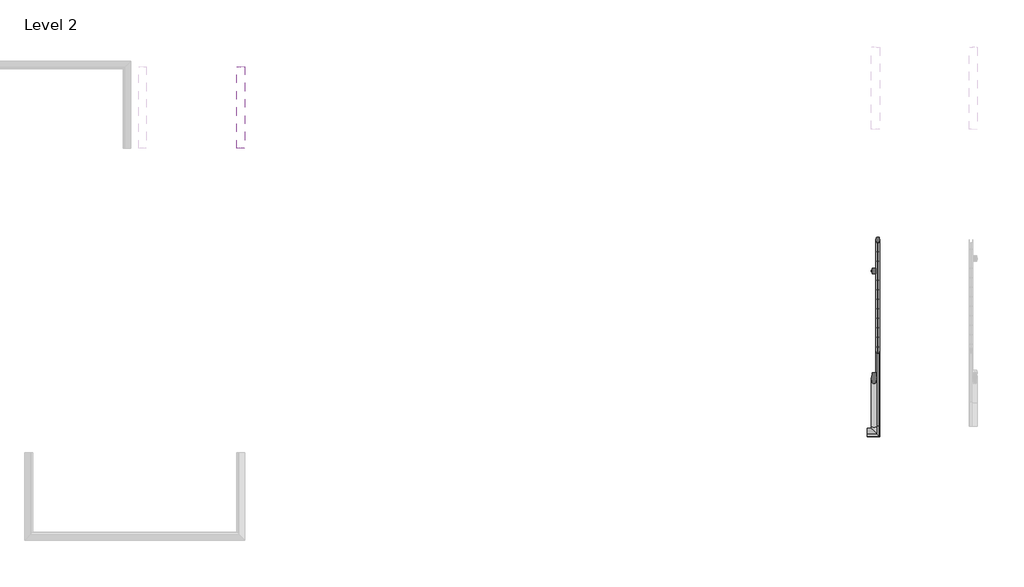
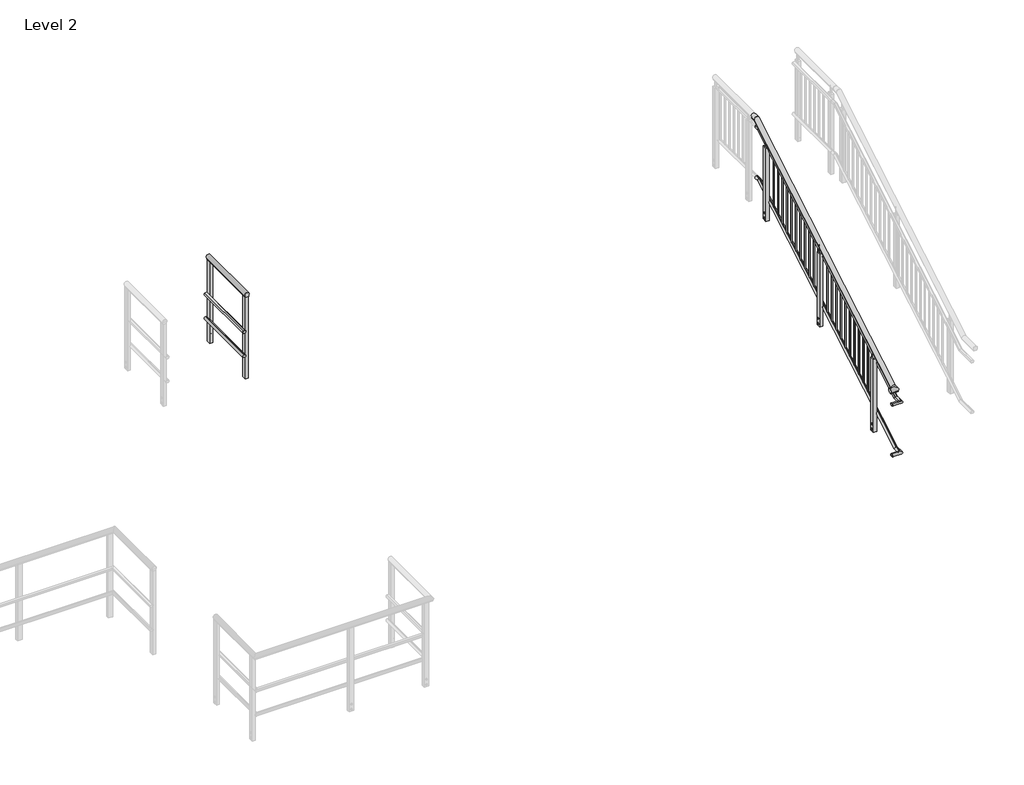
# One storey, part 5 of 7: 2 railings.
"""IFC4 building model written with IfcOpenShell, lengths in millimetres."""

from ifc_helpers import new_model, si_unit, point, frame, frame_2d, origin, place, context, project, spatial, polyline, circle_curve, ellipse_curve, trimmed, segment, composite_curve, outline, extrude, element, save
from ifc_brep_helpers import plane_surface, cylinder_surface, advanced_brep

model = new_model("IFC4")

# Units and contexts
model_context = context("Model", 3, world=origin())
ifc_project = project(units=[si_unit("LENGTHUNIT", "METRE", prefix="MILLI")], contexts=[model_context])

# Site, building, storey
site = spatial("IfcSite", under=ifc_project)
building = spatial("IfcBuilding", under=site)
storey = spatial("IfcBuildingStorey", under=building, Name="Level 2", Elevation=4000.0)

# Railings
placement = place(None, origin())
element("IfcRailing", 1, ObjectType="MT_Common stair with Balustrade_Level 3_Left", at=placement, inside=storey, context=model_context, shape_type="SolidModel", body=[
    advanced_brep(
    [(-8631.0412923, -1697.2332568, 6690.8057322), (-8631.0412923, -1697.2332568, 6678.0), (-8672.7412923, -1697.2332568, 6678.0), (-8672.7412923, -1697.2332568, 6690.8057322), (-8672.7412923, -1762.192754, 6690.8057322), (-8631.0412923, -1762.192754, 6690.8057322), (-8672.7412923, -1758.6852788, 6678.0), (-8631.0412923, -1758.6852788, 6678.0), (-8672.7412923, -4816.0720552, 4882.2162889), (-8631.0412923, -4816.0720552, 4882.2162889), (-8672.7412923, -4812.56458, 4869.4105567), (-8631.0412923, -4812.56458, 4869.4105567), (-8722.7515248, -4890.6934894, 4882.2162889), (-8722.7515248, -4848.9934894, 4882.2162889), (-8722.7515248, -4848.9934894, 4869.4105567), (-8722.7515248, -4890.6934894, 4869.4105567), (-8631.0412923, -4890.6934894, 4882.2162889), (-8672.7412923, -4848.9934894, 4882.2162889), (-8672.7412923, -4848.9934894, 4869.4105567), (-8631.0412923, -4890.6934894, 4869.4105567)],
    [
        (0, 1),
        (1, 2),
        (2, 3),
        (3, 0, circle_curve(frame((-8651.8912923, -1697.2332568, 6710.0), z_axis=(0.0, 1.0, 0.0), x_axis=(-1.0, 0.0, 0.0)), 28.3397674)),
        (4, 5, ellipse_curve(frame((-8651.8912923, -1767.4500418, 6710.0), z_axis=(0.0, 0.9644764138034779, 0.2641689747430274), x_axis=(0.0, -0.2641689747430278, 0.9644764138034778)), 29.3835775, 28.3397674)),
        (5, 0),
        (3, 4),
        (6, 4),
        (2, 6),
        (7, 6),
        (1, 7),
        (5, 7),
        (8, 9, ellipse_curve(frame((-8651.8912923, -4821.329343, 4901.4105567), z_axis=(0.0, 0.9644764138034779, 0.2641689747430274), x_axis=(0.0, 0.264168974743027, -0.9644764138034783)), 29.3835775, 28.3397674)),
        (9, 5),
        (4, 8),
        (10, 8),
        (6, 10),
        (11, 10),
        (7, 11),
        (9, 11),
        (12, 13, circle_curve(frame((-8722.7515248, -4869.8434894, 4901.4105567), z_axis=(-1.0, 0.0, 0.0), x_axis=(0.0, 1.0, 0.0)), 28.3397674)),
        (13, 14),
        (14, 15),
        (15, 12),
        (12, 16),
        (16, 17, ellipse_curve(frame((-8651.8912923, -4869.8434894, 4901.4105567), z_axis=(-0.7071067811865481, -0.7071067811865469, 0.0), x_axis=(-0.7071067811865469, 0.7071067811865481, 0.0)), 40.0784834, 28.3397674)),
        (17, 13),
        (17, 18),
        (18, 14),
        (18, 19),
        (19, 15),
        (19, 16),
        (16, 9),
        (8, 17),
        (10, 18),
        (11, 19),
    ],
    [
        plane_surface(frame((-8651.8912923, -1697.2332568, 6678.0), z_axis=(0.0, 1.0, 0.0), x_axis=(0.0, 0.0, 1.0))),
        cylinder_surface(frame((-8651.8912923, -1758.6852788, 6710.0), z_axis=(0.0, -1.0, 0.0), x_axis=(-1.0, 0.0, 0.0)), 28.3397674),
        plane_surface(frame((-8672.7412923, -1762.192754, 6690.8057322), z_axis=(-1.0, 0.0, 0.0), x_axis=(0.0, 1.0, 0.0))),
        plane_surface(frame((-8672.7412923, -1758.6852788, 6678.0), z_axis=(0.0, 0.0, -1.0), x_axis=(0.0, 1.0, 0.0))),
        plane_surface(frame((-8631.0412923, -1758.6852788, 6678.0), z_axis=(1.0, 0.0, 0.0), x_axis=(0.0, 1.0, 0.0))),
        cylinder_surface(frame((-8651.8912923, -4828.8708037, 4896.9443009), z_axis=(0.0, -0.8604295055664355, -0.5095694907965933), x_axis=(-1.0, 0.0, 0.0)), 28.3397674),
        plane_surface(frame((-8672.7412923, -4816.0720552, 4882.2162889), z_axis=(-1.0, 0.0, 0.0), x_axis=(0.0, 0.8604295055664355, 0.5095694907965934))),
        plane_surface(frame((-8672.7412923, -4812.56458, 4869.4105567), z_axis=(0.0, 0.5095694907965933, -0.8604295055664355), x_axis=(0.0, 0.8604295055664355, 0.5095694907965933))),
        plane_surface(frame((-8631.0412923, -4812.56458, 4869.4105567), z_axis=(1.0, 0.0, 0.0), x_axis=(0.0, 0.8604295055664355, 0.5095694907965933))),
        plane_surface(frame((-8722.7515248, -4869.8434894, 4869.4105567), z_axis=(-1.0, 0.0, 0.0), x_axis=(0.0, 1.0, 0.0))),
        cylinder_surface(frame((-8722.7515248, -4869.8434894, 4901.4105567), z_axis=(-1.0, 0.0, 0.0), x_axis=(0.0, 1.0, 0.0)), 28.3397674),
        plane_surface(frame((-8722.7515248, -4848.9934894, 4882.2162889), z_axis=(0.0, 1.0, 0.0), x_axis=(1.0, 0.0, 0.0))),
        plane_surface(frame((-8722.7515248, -4848.9934894, 4869.4105567), z_axis=(0.0, 0.0, -1.0), x_axis=(1.0, 0.0, 0.0))),
        plane_surface(frame((-8722.7515248, -4890.6934894, 4869.4105567), z_axis=(0.0, -1.0, 0.0), x_axis=(1.0, 0.0, 0.0))),
        cylinder_surface(frame((-8651.8912923, -4869.8434894, 4901.4105567), z_axis=(0.0, -1.0, 0.0), x_axis=(-1.0, 0.0, 0.0)), 28.3397674),
        plane_surface(frame((-8672.7412923, -4848.9934894, 4882.2162889), z_axis=(-1.0, 0.0, 0.0), x_axis=(0.0, 1.0, 0.0))),
        plane_surface(frame((-8672.7412923, -4848.9934894, 4869.4105567), z_axis=(0.0, 0.0, -1.0), x_axis=(0.0, 1.0, 0.0))),
        plane_surface(frame((-8631.0412923, -4890.6934894, 4869.4105567), z_axis=(1.0, 0.0, 0.0), x_axis=(0.0, 1.0, 0.0))),
    ],
    [
        (0, [[1, 2, 3, 4]]),
        (1, [[5, 6, -4, 7]]),
        (2, [[8, -7, -3, 9]]),
        (3, [[10, -9, -2, 11]]),
        (4, [[12, -11, -1, -6]]),
        (5, [[13, 14, -5, 15]]),
        (6, [[16, -15, -8, 17]]),
        (7, [[18, -17, -10, 19]]),
        (8, [[20, -19, -12, -14]]),
        (9, [[21, 22, 23, 24]]),
        (10, [[-21, 25, 26, 27]]),
        (11, [[-22, -27, 28, 29]]),
        (12, [[-23, -29, 30, 31]]),
        (13, [[-24, -31, 32, -25]]),
        (14, [[-26, 33, -13, 34]]),
        (15, [[-28, -34, -16, 35]]),
        (16, [[-30, -35, -18, 36]]),
        (17, [[-32, -36, -20, -33]]),
    ],
),
    advanced_brep(
    [(-8599.5227683, -4816.6730626, 4751.4105567), (-8606.6751475, -4807.3455481, 4717.3559605), (-8606.6751475, -1753.4662469, 6525.9454038), (-8599.5227683, -1762.7937614, 6560.0), (-8625.9802814, -4816.6730626, 4751.4105567), (-8625.9802814, -1762.7937614, 6560.0), (-8618.257742, -4807.2982981, 4717.1834516), (-8618.257742, -1753.4189969, 6525.7728949), (-8618.257742, -4808.4560973, 4721.4105567), (-8618.257742, -1754.5767961, 6530.0), (-8606.6751475, -4808.4560973, 4721.4105567), (-8606.6751475, -1754.5767961, 6530.0), (-8599.5227683, -4922.2120133, 4751.4105567), (-8606.6751475, -4915.0596342, 4717.3559605), (-8625.9802814, -4895.7545002, 4751.4105567), (-8618.257742, -4903.4770396, 4717.1834516), (-8618.257742, -4903.4770396, 4721.4105567), (-8606.6751475, -4915.0596342, 4721.4105567), (-8606.6751475, -1697.2332568, 6525.9454038), (-8606.6751475, -1697.2332568, 6530.0), (-8618.257742, -1697.2332568, 6530.0), (-8618.257742, -1697.2332568, 6525.7728949), (-8625.9802814, -1697.2332568, 6560.0), (-8599.5227683, -1697.2332568, 6560.0), (-8722.7515248, -4915.0596342, 4717.3559605), (-8722.7515248, -4922.2120133, 4751.4105567), (-8722.7515248, -4895.7545002, 4751.4105567), (-8722.7515248, -4903.4770396, 4717.1834516), (-8722.7515248, -4903.4770396, 4721.4105567), (-8722.7515248, -4915.0596342, 4721.4105567)],
    [
        (0, 1, ellipse_curve(frame((-8612.7515248, -4812.56458, 4736.4105567), z_axis=(0.0, 0.9644764138034779, 0.2641689747430274), x_axis=(0.0, 0.264168974743027, -0.9644764138034783)), 20.7366398, 20.0)),
        (1, 2),
        (2, 3, ellipse_curve(frame((-8612.7515248, -1758.6852788, 6545.0), z_axis=(0.0, -0.9644764138034779, -0.2641689747430274), x_axis=(0.0, 0.264168974743027, -0.9644764138034783)), 20.7366398, 20.0)),
        (3, 0),
        (4, 0),
        (3, 5),
        (5, 4),
        (6, 4, ellipse_curve(frame((-8612.7515248, -4812.56458, 4736.4105567), z_axis=(0.0, 0.9644764138034779, 0.2641689747430274), x_axis=(0.0, 0.264168974743027, -0.9644764138034783)), 20.7366398, 20.0)),
        (5, 7, ellipse_curve(frame((-8612.7515248, -1758.6852788, 6545.0), z_axis=(0.0, -0.9644764138034779, -0.2641689747430274), x_axis=(0.0, 0.264168974743027, -0.9644764138034783)), 20.7366398, 20.0)),
        (7, 6),
        (8, 6),
        (7, 9),
        (9, 8),
        (10, 8),
        (9, 11),
        (11, 10),
        (1, 10),
        (11, 2),
        (12, 13, ellipse_curve(frame((-8612.7515248, -4908.9832568, 4736.4105567), z_axis=(0.7071067811865481, 0.7071067811865469, 0.0), x_axis=(0.7071067811865469, -0.7071067811865481, 0.0)), 28.2842712, 20.0)),
        (13, 1),
        (0, 12),
        (14, 12),
        (4, 14),
        (15, 14, ellipse_curve(frame((-8612.7515248, -4908.9832568, 4736.4105567), z_axis=(0.7071067811865481, 0.7071067811865469, 0.0), x_axis=(0.7071067811865469, -0.7071067811865481, 0.0)), 28.2842712, 20.0)),
        (6, 15),
        (16, 15),
        (8, 16),
        (17, 16),
        (10, 17),
        (13, 17),
        (18, 19),
        (19, 20),
        (20, 21),
        (21, 22, circle_curve(frame((-8612.7515248, -1697.2332568, 6545.0), z_axis=(0.0, 1.0, 0.0), x_axis=(0.0, 0.0, 1.0)), 20.0)),
        (22, 23),
        (23, 18, circle_curve(frame((-8612.7515248, -1697.2332568, 6545.0), z_axis=(0.0, 1.0, 0.0), x_axis=(0.0, 0.0, 1.0)), 20.0)),
        (2, 18),
        (23, 3),
        (22, 5),
        (21, 7),
        (20, 9),
        (19, 11),
        (24, 25, circle_curve(frame((-8722.7515248, -4908.9832568, 4736.4105567), z_axis=(-1.0, 0.0, 0.0), x_axis=(0.0, 0.0, 1.0)), 20.0)),
        (25, 26),
        (26, 27, circle_curve(frame((-8722.7515248, -4908.9832568, 4736.4105567), z_axis=(-1.0, 0.0, 0.0), x_axis=(0.0, 0.0, 1.0)), 20.0)),
        (27, 28),
        (28, 29),
        (29, 24),
        (24, 13),
        (12, 25),
        (14, 26),
        (15, 27),
        (16, 28),
        (17, 29),
    ],
    [
        cylinder_surface(frame((-8612.7515248, -4812.56458, 4736.4105567), z_axis=(0.0, -0.8604295055664355, -0.5095694907965933), x_axis=(0.0, -0.5095694907965933, 0.8604295055664355)), 20.0),
        plane_surface(frame((-8599.5227683, -4816.6730626, 4751.4105567), z_axis=(0.0, -0.5095694907965933, 0.8604295055664355), x_axis=(0.0, 0.8604295055664355, 0.5095694907965933))),
        plane_surface(frame((-8618.257742, -4807.2982981, 4717.1834516), z_axis=(1.0, 0.0, 0.0), x_axis=(0.0, 0.8604295055664355, 0.5095694907965933))),
        plane_surface(frame((-8618.257742, -4808.4560973, 4721.4105567), z_axis=(0.0, 0.5095694907965933, -0.8604295055664355), x_axis=(0.0, 0.8604295055664355, 0.5095694907965933))),
        plane_surface(frame((-8606.6751475, -4808.4560973, 4721.4105567), z_axis=(-1.0, 0.0, 0.0), x_axis=(0.0, 0.8604295055664355, 0.5095694907965933))),
        cylinder_surface(frame((-8612.7515248, -4908.9832568, 4736.4105567), z_axis=(0.0, -1.0, 0.0), x_axis=(0.0, 0.0, 1.0)), 20.0),
        plane_surface(frame((-8599.5227683, -4922.2120133, 4751.4105567), z_axis=(0.0, 0.0, 1.0), x_axis=(0.0, 1.0, 0.0))),
        plane_surface(frame((-8618.257742, -4903.4770396, 4717.1834516), z_axis=(1.0, 0.0, 0.0), x_axis=(0.0, 1.0, 0.0))),
        plane_surface(frame((-8618.257742, -4903.4770396, 4721.4105567), z_axis=(0.0, 0.0, -1.0), x_axis=(0.0, 1.0, 0.0))),
        plane_surface(frame((-8606.6751475, -4915.0596342, 4721.4105567), z_axis=(-1.0, 0.0, 0.0), x_axis=(0.0, 1.0, 0.0))),
        plane_surface(frame((-8612.7515248, -1697.2332568, 6545.0), z_axis=(0.0, 1.0, 0.0), x_axis=(0.0, 0.0, 1.0))),
        cylinder_surface(frame((-8612.7515248, -1758.6852788, 6545.0), z_axis=(0.0, -1.0, 0.0), x_axis=(0.0, 0.0, 1.0)), 20.0),
        plane_surface(frame((-8599.5227683, -1762.7937614, 6560.0), z_axis=(0.0, 0.0, 1.0), x_axis=(0.0, 1.0, 0.0))),
        plane_surface(frame((-8618.257742, -1753.4189969, 6525.7728949), z_axis=(1.0, 0.0, 0.0), x_axis=(0.0, 1.0, 0.0))),
        plane_surface(frame((-8618.257742, -1754.5767961, 6530.0), z_axis=(0.0, 0.0, -1.0), x_axis=(0.0, 1.0, 0.0))),
        plane_surface(frame((-8606.6751475, -1754.5767961, 6530.0), z_axis=(-1.0, 0.0, 0.0), x_axis=(0.0, 1.0, 0.0))),
        plane_surface(frame((-8722.7515248, -4908.9832568, 4736.4105567), z_axis=(-1.0, 0.0, 0.0), x_axis=(0.0, 1.0, 0.0))),
        cylinder_surface(frame((-8722.7515248, -4908.9832568, 4736.4105567), z_axis=(-1.0, 0.0, 0.0), x_axis=(0.0, 0.0, 1.0)), 20.0),
        plane_surface(frame((-8722.7515248, -4922.2120133, 4751.4105567), z_axis=(0.0, 0.0, 1.0), x_axis=(1.0, 0.0, 0.0))),
        plane_surface(frame((-8722.7515248, -4903.4770396, 4717.1834516), z_axis=(0.0, -1.0, 0.0), x_axis=(1.0, 0.0, 0.0))),
        plane_surface(frame((-8722.7515248, -4903.4770396, 4721.4105567), z_axis=(0.0, 0.0, -1.0), x_axis=(1.0, 0.0, 0.0))),
        plane_surface(frame((-8722.7515248, -4915.0596342, 4721.4105567), z_axis=(0.0, 1.0, 0.0), x_axis=(1.0, 0.0, 0.0))),
    ],
    [
        (0, [[1, 2, 3, 4]]),
        (1, [[5, -4, 6, 7]]),
        (0, [[8, -7, 9, 10]]),
        (2, [[11, -10, 12, 13]]),
        (3, [[14, -13, 15, 16]]),
        (4, [[17, -16, 18, -2]]),
        (5, [[19, 20, -1, 21]]),
        (6, [[22, -21, -5, 23]]),
        (5, [[24, -23, -8, 25]]),
        (7, [[26, -25, -11, 27]]),
        (8, [[28, -27, -14, 29]]),
        (9, [[30, -29, -17, -20]]),
        (10, [[31, 32, 33, 34, 35, 36]]),
        (11, [[-3, 37, -36, 38]]),
        (12, [[-6, -38, -35, 39]]),
        (11, [[-9, -39, -34, 40]]),
        (13, [[-12, -40, -33, 41]]),
        (14, [[-15, -41, -32, 42]]),
        (15, [[-18, -42, -31, -37]]),
        (16, [[43, 44, 45, 46, 47, 48]]),
        (17, [[-43, 49, -19, 50]]),
        (18, [[-44, -50, -22, 51]]),
        (17, [[-45, -51, -24, 52]]),
        (19, [[-46, -52, -26, 53]]),
        (20, [[-47, -53, -28, 54]]),
        (21, [[-48, -54, -30, -49]]),
    ],
),
    advanced_brep(
    [(-8625.9802814, -4808.4560973, 4030.4105567), (-8618.8279022, -4817.7836118, 4064.465153), (-8618.8279022, -1763.9043107, 5873.0545962), (-8625.9802814, -1754.5767961, 5839.0), (-8599.5227683, -4808.4560973, 4030.4105567), (-8599.5227683, -1754.5767961, 5839.0), (-8607.2453076, -4817.8308618, 4064.6376619), (-8607.2453076, -1763.9515607, 5873.2271051), (-8607.2453076, -4816.6730626, 4060.4105567), (-8607.2453076, -1762.7937614, 5869.0), (-8618.8279022, -4816.6730626, 4060.4105567), (-8618.8279022, -1762.7937614, 5869.0), (-8625.9802814, -4895.7545002, 4030.4105567), (-8618.8279022, -4902.9068794, 4064.465153), (-8599.5227683, -4922.2120133, 4030.4105567), (-8607.2453076, -4914.489474, 4064.6376619), (-8607.2453076, -4914.489474, 4060.4105567), (-8618.8279022, -4902.9068794, 4060.4105567), (-8618.8279022, -1697.2332568, 5873.0545962), (-8618.8279022, -1697.2332568, 5869.0), (-8607.2453076, -1697.2332568, 5869.0), (-8607.2453076, -1697.2332568, 5873.2271051), (-8599.5227683, -1697.2332568, 5839.0), (-8625.9802814, -1697.2332568, 5839.0), (-8722.7515248, -4902.9068794, 4064.465153), (-8722.7515248, -4895.7545002, 4030.4105567), (-8722.7515248, -4922.2120133, 4030.4105567), (-8722.7515248, -4914.489474, 4064.6376619), (-8722.7515248, -4914.489474, 4060.4105567), (-8722.7515248, -4902.9068794, 4060.4105567)],
    [
        (0, 1, ellipse_curve(frame((-8612.7515248, -4812.56458, 4045.4105567), z_axis=(0.0, 0.964476413803478, 0.2641689747430273), x_axis=(0.0, 0.26416897474302714, -0.964476413803478)), 20.7366398, 20.0)),
        (1, 2),
        (2, 3, ellipse_curve(frame((-8612.7515248, -1758.6852788, 5854.0), z_axis=(0.0, -0.964476413803478, -0.2641689747430273), x_axis=(0.0, 0.26416897474302714, -0.964476413803478)), 20.7366398, 20.0)),
        (3, 0),
        (4, 0),
        (3, 5),
        (5, 4),
        (6, 4, ellipse_curve(frame((-8612.7515248, -4812.56458, 4045.4105567), z_axis=(0.0, 0.964476413803478, 0.2641689747430273), x_axis=(0.0, 0.26416897474302714, -0.964476413803478)), 20.7366398, 20.0)),
        (5, 7, ellipse_curve(frame((-8612.7515248, -1758.6852788, 5854.0), z_axis=(0.0, -0.964476413803478, -0.2641689747430273), x_axis=(0.0, 0.26416897474302714, -0.964476413803478)), 20.7366398, 20.0)),
        (7, 6),
        (8, 6),
        (7, 9),
        (9, 8),
        (10, 8),
        (9, 11),
        (11, 10),
        (1, 10),
        (11, 2),
        (12, 13, ellipse_curve(frame((-8612.7515248, -4908.9832568, 4045.4105567), z_axis=(0.7071067811865481, 0.7071067811865469, 0.0), x_axis=(0.7071067811865469, -0.7071067811865481, 0.0)), 28.2842712, 20.0)),
        (13, 1),
        (0, 12),
        (14, 12),
        (4, 14),
        (15, 14, ellipse_curve(frame((-8612.7515248, -4908.9832568, 4045.4105567), z_axis=(0.7071067811865481, 0.7071067811865469, 0.0), x_axis=(0.7071067811865469, -0.7071067811865481, 0.0)), 28.2842712, 20.0)),
        (6, 15),
        (16, 15),
        (8, 16),
        (17, 16),
        (10, 17),
        (13, 17),
        (18, 19),
        (19, 20),
        (20, 21),
        (21, 22, circle_curve(frame((-8612.7515248, -1697.2332568, 5854.0), z_axis=(0.0, 1.0, 0.0), x_axis=(0.0, 0.0, -1.0)), 20.0)),
        (22, 23),
        (23, 18, circle_curve(frame((-8612.7515248, -1697.2332568, 5854.0), z_axis=(0.0, 1.0, 0.0), x_axis=(0.0, 0.0, -1.0)), 20.0)),
        (2, 18),
        (23, 3),
        (22, 5),
        (21, 7),
        (20, 9),
        (19, 11),
        (24, 25, circle_curve(frame((-8722.7515248, -4908.9832568, 4045.4105567), z_axis=(-1.0, 0.0, 0.0), x_axis=(0.0, 0.0, -1.0)), 20.0)),
        (25, 26),
        (26, 27, circle_curve(frame((-8722.7515248, -4908.9832568, 4045.4105567), z_axis=(-1.0, 0.0, 0.0), x_axis=(0.0, 0.0, -1.0)), 20.0)),
        (27, 28),
        (28, 29),
        (29, 24),
        (24, 13),
        (12, 25),
        (14, 26),
        (15, 27),
        (16, 28),
        (17, 29),
    ],
    [
        cylinder_surface(frame((-8612.7515248, -4812.56458, 4045.4105567), z_axis=(0.0, -0.8604295055664357, -0.5095694907965931), x_axis=(0.0, 0.5095694907965931, -0.8604295055664357)), 20.0),
        plane_surface(frame((-8625.9802814, -4808.4560973, 4030.4105567), z_axis=(0.0, 0.5095694907965932, -0.8604295055664356), x_axis=(0.0, 0.8604295055664356, 0.5095694907965932))),
        plane_surface(frame((-8607.2453076, -4817.8308618, 4064.6376619), z_axis=(-1.0000000000000002, 0.0, 0.0), x_axis=(0.0, 0.8604295055664357, 0.5095694907965931))),
        plane_surface(frame((-8607.2453076, -4816.6730626, 4060.4105567), z_axis=(0.0, -0.509569490796593, 0.8604295055664357), x_axis=(0.0, 0.8604295055664357, 0.509569490796593))),
        plane_surface(frame((-8618.8279022, -4816.6730626, 4060.4105567), z_axis=(1.0000000000000002, 0.0, 0.0), x_axis=(0.0, 0.8604295055664357, 0.5095694907965931))),
        cylinder_surface(frame((-8612.7515248, -4908.9832568, 4045.4105567), z_axis=(0.0, -1.0, 0.0), x_axis=(0.0, 0.0, -1.0)), 20.0),
        plane_surface(frame((-8625.9802814, -4895.7545002, 4030.4105567), z_axis=(0.0, 0.0, -1.0), x_axis=(0.0, 1.0, 0.0))),
        plane_surface(frame((-8607.2453076, -4914.489474, 4064.6376619), z_axis=(-1.0, 0.0, 0.0), x_axis=(0.0, 1.0, 0.0))),
        plane_surface(frame((-8607.2453076, -4914.489474, 4060.4105567), z_axis=(0.0, 0.0, 1.0), x_axis=(0.0, 1.0, 0.0))),
        plane_surface(frame((-8618.8279022, -4902.9068794, 4060.4105567), z_axis=(1.0, 0.0, 0.0), x_axis=(0.0, 1.0, 0.0))),
        plane_surface(frame((-8612.7515248, -1697.2332568, 5854.0), z_axis=(0.0, 1.0, 0.0), x_axis=(0.0, 0.0, 1.0))),
        cylinder_surface(frame((-8612.7515248, -1758.6852788, 5854.0), z_axis=(0.0, -1.0, 0.0), x_axis=(0.0, 0.0, -1.0)), 20.0),
        plane_surface(frame((-8625.9802814, -1754.5767961, 5839.0), z_axis=(0.0, 0.0, -1.0), x_axis=(0.0, 1.0, 0.0))),
        plane_surface(frame((-8607.2453076, -1763.9515607, 5873.2271051), z_axis=(-1.0, 0.0, 0.0), x_axis=(0.0, 1.0, 0.0))),
        plane_surface(frame((-8607.2453076, -1762.7937614, 5869.0), z_axis=(0.0, 0.0, 1.0), x_axis=(0.0, 1.0, 0.0))),
        plane_surface(frame((-8618.8279022, -1762.7937614, 5869.0), z_axis=(1.0, 0.0, 0.0), x_axis=(0.0, 1.0, 0.0))),
        plane_surface(frame((-8722.7515248, -4908.9832568, 4045.4105567), z_axis=(-1.0, 0.0, 0.0), x_axis=(0.0, 1.0, 0.0))),
        cylinder_surface(frame((-8722.7515248, -4908.9832568, 4045.4105567), z_axis=(-1.0, 0.0, 0.0), x_axis=(0.0, 0.0, -1.0)), 20.0),
        plane_surface(frame((-8722.7515248, -4895.7545002, 4030.4105567), z_axis=(0.0, 0.0, -1.0), x_axis=(1.0, 0.0, 0.0))),
        plane_surface(frame((-8722.7515248, -4914.489474, 4064.6376619), z_axis=(0.0, 1.0, 0.0), x_axis=(1.0, 0.0, 0.0))),
        plane_surface(frame((-8722.7515248, -4914.489474, 4060.4105567), z_axis=(0.0, 0.0, 1.0), x_axis=(1.0, 0.0, 0.0))),
        plane_surface(frame((-8722.7515248, -4902.9068794, 4060.4105567), z_axis=(0.0, -1.0, 0.0), x_axis=(1.0, 0.0, 0.0))),
    ],
    [
        (0, [[1, 2, 3, 4]]),
        (1, [[5, -4, 6, 7]]),
        (0, [[8, -7, 9, 10]]),
        (2, [[11, -10, 12, 13]]),
        (3, [[14, -13, 15, 16]]),
        (4, [[17, -16, 18, -2]]),
        (5, [[19, 20, -1, 21]]),
        (6, [[22, -21, -5, 23]]),
        (5, [[24, -23, -8, 25]]),
        (7, [[26, -25, -11, 27]]),
        (8, [[28, -27, -14, 29]]),
        (9, [[30, -29, -17, -20]]),
        (10, [[31, 32, 33, 34, 35, 36]]),
        (11, [[-3, 37, -36, 38]]),
        (12, [[-6, -38, -35, 39]]),
        (11, [[-9, -39, -34, 40]]),
        (13, [[-12, -40, -33, 41]]),
        (14, [[-15, -41, -32, 42]]),
        (15, [[-18, -42, -31, -37]]),
        (16, [[43, 44, 45, 46, 47, 48]]),
        (17, [[-43, 49, -19, 50]]),
        (18, [[-44, -50, -22, 51]]),
        (17, [[-45, -51, -24, 52]]),
        (19, [[-46, -52, -26, 53]]),
        (20, [[-47, -53, -28, 54]]),
        (21, [[-48, -54, -30, -49]]),
    ],
),
    extrude(outline(polyline([(-1985.6249294, 5501.9245527), (-1975.6249294, 5496.15105), (-1975.6249294, 5484.6040446), (-1985.6249294, 5478.8305419), (-1995.6249294, 5484.6040446), (-1995.6249294, 5496.15105), (-1985.6249294, 5501.9245527)])), frame((-8676.7515248, 0.0, 0.0), z_axis=(1.0, 0.0, 0.0), x_axis=(0.0, 1.0, 0.0)), (0.0, 0.0, 1.0), 4.0),
    extrude(outline(polyline([(-1985.6249294, 5571.9245527), (-1975.6249294, 5566.15105), (-1975.6249294, 5554.6040446), (-1985.6249294, 5548.8305419), (-1995.6249294, 5554.6040446), (-1995.6249294, 5566.15105), (-1985.6249294, 5571.9245527)])), frame((-8676.7515248, 0.0, 0.0), z_axis=(1.0, 0.0, 0.0), x_axis=(0.0, 1.0, 0.0)), (0.0, 0.0, 1.0), 4.0),
    extrude(outline(composite_curve([segment(trimmed(circle_curve(frame_2d((-1985.6249294, 5490.3775473)), 8.0), [point((-1993.6249294, 5490.3775473))], [point((-1977.6249294, 5490.3775473))], False, "CARTESIAN"), True, "CONTINUOUS"), segment(trimmed(circle_curve(frame_2d((-1985.6249294, 5490.3775473)), 8.0), [point((-1977.6249294, 5490.3775473))], [point((-1993.6249294, 5490.3775473))], False, "CARTESIAN"), True, "CONTINUOUS")], self_intersect=False)), frame((-8678.7515248, 0.0, 0.0), z_axis=(1.0, 0.0, 0.0), x_axis=(0.0, 1.0, 0.0)), (0.0, 0.0, 1.0), 6.0),
    extrude(outline(composite_curve([segment(trimmed(circle_curve(frame_2d((-1985.6249294, 5560.3775473)), 8.0), [point((-1993.6249294, 5560.3775473))], [point((-1977.6249294, 5560.3775473))], False, "CARTESIAN"), True, "CONTINUOUS"), segment(trimmed(circle_curve(frame_2d((-1985.6249294, 5560.3775473)), 8.0), [point((-1977.6249294, 5560.3775473))], [point((-1993.6249294, 5560.3775473))], False, "CARTESIAN"), True, "CONTINUOUS")], self_intersect=False)), frame((-8678.7515248, 0.0, 0.0), z_axis=(1.0, 0.0, 0.0), x_axis=(0.0, 1.0, 0.0)), (0.0, 0.0, 1.0), 6.0),
    extrude(outline(composite_curve([segment(trimmed(circle_curve(frame_2d((-8652.7515248, -1985.6249294)), 10.0), [point((-8662.7515248, -1985.6249294))], [point((-8642.7515248, -1985.6249294))], False, "CARTESIAN"), True, "CONTINUOUS"), segment(trimmed(circle_curve(frame_2d((-8652.7515248, -1985.6249294)), 10.0), [point((-8642.7515248, -1985.6249294))], [point((-8662.7515248, -1985.6249294))], False, "CARTESIAN"), True, "CONTINUOUS")], self_intersect=False)), frame((0.0, 0.0, 6454.3775473), z_axis=(0.0, 0.0, 1.0), x_axis=(1.0, 0.0, 0.0)), (0.0, 0.0, 1.0), 100.0),
    extrude(outline(polyline([(-8632.7515248, -2014.6249294), (-8672.7515248, -2014.6249294), (-8672.7515248, -1956.6249294), (-8632.7515248, -1956.6249294), (-8632.7515248, -2014.6249294)])), frame((0.0, 0.0, 5460.3775473), z_axis=(0.0, 0.0, 1.0), x_axis=(1.0, 0.0, 0.0)), (0.0, 0.0, 1.0), 994.0),
    extrude(outline(polyline([(-8606.7515248, -2091.6249294), (-8618.7515248, -2091.6249294), (-8618.7515248, -2079.6249294), (-8606.7515248, -2079.6249294), (-8606.7515248, -2091.6249294)])), frame((0.0, 0.0, 5671.1548582), z_axis=(0.0, 0.0, 1.0), x_axis=(1.0, 0.0, 0.0)), (0.0, 0.0, 1.0), 671.0),
    extrude(outline(polyline([(-8606.7515248, -2191.6249294), (-8618.7515248, -2191.6249294), (-8618.7515248, -2179.6249294), (-8606.7515248, -2179.6249294), (-8606.7515248, -2191.6249294)])), frame((0.0, 0.0, 5611.9321691), z_axis=(0.0, 0.0, 1.0), x_axis=(1.0, 0.0, 0.0)), (0.0, 0.0, 1.0), 671.0),
    extrude(outline(polyline([(-8606.7515248, -2291.6249294), (-8618.7515248, -2291.6249294), (-8618.7515248, -2279.6249294), (-8606.7515248, -2279.6249294), (-8606.7515248, -2291.6249294)])), frame((0.0, 0.0, 5552.70948), z_axis=(0.0, 0.0, 1.0), x_axis=(1.0, 0.0, 0.0)), (0.0, 0.0, 1.0), 671.0),
    extrude(outline(polyline([(-8606.7515248, -2391.6249294), (-8618.7515248, -2391.6249294), (-8618.7515248, -2379.6249294), (-8606.7515248, -2379.6249294), (-8606.7515248, -2391.6249294)])), frame((0.0, 0.0, 5493.486791), z_axis=(0.0, 0.0, 1.0), x_axis=(1.0, 0.0, 0.0)), (0.0, 0.0, 1.0), 671.0),
    extrude(outline(polyline([(-8606.7515248, -2491.6249294), (-8618.7515248, -2491.6249294), (-8618.7515248, -2479.6249294), (-8606.7515248, -2479.6249294), (-8606.7515248, -2491.6249294)])), frame((0.0, 0.0, 5434.2641019), z_axis=(0.0, 0.0, 1.0), x_axis=(1.0, 0.0, 0.0)), (0.0, 0.0, 1.0), 671.0),
    extrude(outline(polyline([(-8606.7515248, -2591.6249294), (-8618.7515248, -2591.6249294), (-8618.7515248, -2579.6249294), (-8606.7515248, -2579.6249294), (-8606.7515248, -2591.6249294)])), frame((0.0, 0.0, 5375.0414128), z_axis=(0.0, 0.0, 1.0), x_axis=(1.0, 0.0, 0.0)), (0.0, 0.0, 1.0), 671.0),
    extrude(outline(polyline([(-8606.7515248, -2691.6249294), (-8618.7515248, -2691.6249294), (-8618.7515248, -2679.6249294), (-8606.7515248, -2679.6249294), (-8606.7515248, -2691.6249294)])), frame((0.0, 0.0, 5315.8187237), z_axis=(0.0, 0.0, 1.0), x_axis=(1.0, 0.0, 0.0)), (0.0, 0.0, 1.0), 671.0),
    extrude(outline(polyline([(-8606.7515248, -2791.6249294), (-8618.7515248, -2791.6249294), (-8618.7515248, -2779.6249294), (-8606.7515248, -2779.6249294), (-8606.7515248, -2791.6249294)])), frame((0.0, 0.0, 5256.5960347), z_axis=(0.0, 0.0, 1.0), x_axis=(1.0, 0.0, 0.0)), (0.0, 0.0, 1.0), 671.0),
    extrude(outline(polyline([(-8606.7515248, -2891.6249294), (-8618.7515248, -2891.6249294), (-8618.7515248, -2879.6249294), (-8606.7515248, -2879.6249294), (-8606.7515248, -2891.6249294)])), frame((0.0, 0.0, 5197.3733456), z_axis=(0.0, 0.0, 1.0), x_axis=(1.0, 0.0, 0.0)), (0.0, 0.0, 1.0), 671.0),
    extrude(outline(polyline([(-8606.7515248, -2991.6249294), (-8618.7515248, -2991.6249294), (-8618.7515248, -2979.6249294), (-8606.7515248, -2979.6249294), (-8606.7515248, -2991.6249294)])), frame((0.0, 0.0, 5138.1506565), z_axis=(0.0, 0.0, 1.0), x_axis=(1.0, 0.0, 0.0)), (0.0, 0.0, 1.0), 671.0),
    extrude(outline(polyline([(-8606.7515248, -3091.6249294), (-8618.7515248, -3091.6249294), (-8618.7515248, -3079.6249294), (-8606.7515248, -3079.6249294), (-8606.7515248, -3091.6249294)])), frame((0.0, 0.0, 5078.9279674), z_axis=(0.0, 0.0, 1.0), x_axis=(1.0, 0.0, 0.0)), (0.0, 0.0, 1.0), 671.0),
    extrude(outline(polyline([(-3185.6249294, 4791.2522837), (-3175.6249294, 4785.4787811), (-3175.6249294, 4773.9317757), (-3185.6249294, 4768.158273), (-3195.6249294, 4773.9317757), (-3195.6249294, 4785.4787811), (-3185.6249294, 4791.2522837)])), frame((-8676.7515248, 0.0, 0.0), z_axis=(1.0, 0.0, 0.0), x_axis=(0.0, 1.0, 0.0)), (0.0, 0.0, 1.0), 4.0),
    extrude(outline(polyline([(-3185.6249294, 4861.2522837), (-3175.6249294, 4855.4787811), (-3175.6249294, 4843.9317757), (-3185.6249294, 4838.158273), (-3195.6249294, 4843.9317757), (-3195.6249294, 4855.4787811), (-3185.6249294, 4861.2522837)])), frame((-8676.7515248, 0.0, 0.0), z_axis=(1.0, 0.0, 0.0), x_axis=(0.0, 1.0, 0.0)), (0.0, 0.0, 1.0), 4.0),
    extrude(outline(composite_curve([segment(trimmed(circle_curve(frame_2d((-3185.6249294, 4779.7052784)), 8.0), [point((-3193.6249294, 4779.7052784))], [point((-3177.6249294, 4779.7052784))], False, "CARTESIAN"), True, "CONTINUOUS"), segment(trimmed(circle_curve(frame_2d((-3185.6249294, 4779.7052784)), 8.0), [point((-3177.6249294, 4779.7052784))], [point((-3193.6249294, 4779.7052784))], False, "CARTESIAN"), True, "CONTINUOUS")], self_intersect=False)), frame((-8678.7515248, 0.0, 0.0), z_axis=(1.0, 0.0, 0.0), x_axis=(0.0, 1.0, 0.0)), (0.0, 0.0, 1.0), 6.0),
    extrude(outline(composite_curve([segment(trimmed(circle_curve(frame_2d((-3185.6249294, 4849.7052784)), 8.0), [point((-3193.6249294, 4849.7052784))], [point((-3177.6249294, 4849.7052784))], False, "CARTESIAN"), True, "CONTINUOUS"), segment(trimmed(circle_curve(frame_2d((-3185.6249294, 4849.7052784)), 8.0), [point((-3177.6249294, 4849.7052784))], [point((-3193.6249294, 4849.7052784))], False, "CARTESIAN"), True, "CONTINUOUS")], self_intersect=False)), frame((-8678.7515248, 0.0, 0.0), z_axis=(1.0, 0.0, 0.0), x_axis=(0.0, 1.0, 0.0)), (0.0, 0.0, 1.0), 6.0),
    extrude(outline(composite_curve([segment(trimmed(circle_curve(frame_2d((-8652.7515248, -3185.6249294)), 10.0), [point((-8662.7515248, -3185.6249294))], [point((-8642.7515248, -3185.6249294))], False, "CARTESIAN"), True, "CONTINUOUS"), segment(trimmed(circle_curve(frame_2d((-8652.7515248, -3185.6249294)), 10.0), [point((-8642.7515248, -3185.6249294))], [point((-8662.7515248, -3185.6249294))], False, "CARTESIAN"), True, "CONTINUOUS")], self_intersect=False)), frame((0.0, 0.0, 5743.7052784), z_axis=(0.0, 0.0, 1.0), x_axis=(1.0, 0.0, 0.0)), (0.0, 0.0, 1.0), 100.0),
    extrude(outline(polyline([(-8632.7515248, -3214.6249294), (-8672.7515248, -3214.6249294), (-8672.7515248, -3156.6249294), (-8632.7515248, -3156.6249294), (-8632.7515248, -3214.6249294)])), frame((0.0, 0.0, 4749.7052784), z_axis=(0.0, 0.0, 1.0), x_axis=(1.0, 0.0, 0.0)), (0.0, 0.0, 1.0), 994.0),
    extrude(outline(polyline([(-8606.7515248, -3291.6249294), (-8618.7515248, -3291.6249294), (-8618.7515248, -3279.6249294), (-8606.7515248, -3279.6249294), (-8606.7515248, -3291.6249294)])), frame((0.0, 0.0, 4960.4825893), z_axis=(0.0, 0.0, 1.0), x_axis=(1.0, 0.0, 0.0)), (0.0, 0.0, 1.0), 671.0),
    extrude(outline(polyline([(-8606.7515248, -3391.6249294), (-8618.7515248, -3391.6249294), (-8618.7515248, -3379.6249294), (-8606.7515248, -3379.6249294), (-8606.7515248, -3391.6249294)])), frame((0.0, 0.0, 4901.2599002), z_axis=(0.0, 0.0, 1.0), x_axis=(1.0, 0.0, 0.0)), (0.0, 0.0, 1.0), 671.0),
    extrude(outline(polyline([(-8606.7515248, -3491.6249294), (-8618.7515248, -3491.6249294), (-8618.7515248, -3479.6249294), (-8606.7515248, -3479.6249294), (-8606.7515248, -3491.6249294)])), frame((0.0, 0.0, 4842.0372111), z_axis=(0.0, 0.0, 1.0), x_axis=(1.0, 0.0, 0.0)), (0.0, 0.0, 1.0), 671.0),
    extrude(outline(polyline([(-8606.7515248, -3591.6249294), (-8618.7515248, -3591.6249294), (-8618.7515248, -3579.6249294), (-8606.7515248, -3579.6249294), (-8606.7515248, -3591.6249294)])), frame((0.0, 0.0, 4782.8145221), z_axis=(0.0, 0.0, 1.0), x_axis=(1.0, 0.0, 0.0)), (0.0, 0.0, 1.0), 671.0),
    extrude(outline(polyline([(-8606.7515248, -3691.6249294), (-8618.7515248, -3691.6249294), (-8618.7515248, -3679.6249294), (-8606.7515248, -3679.6249294), (-8606.7515248, -3691.6249294)])), frame((0.0, 0.0, 4723.591833), z_axis=(0.0, 0.0, 1.0), x_axis=(1.0, 0.0, 0.0)), (0.0, 0.0, 1.0), 671.0),
    extrude(outline(polyline([(-8606.7515248, -3791.6249294), (-8618.7515248, -3791.6249294), (-8618.7515248, -3779.6249294), (-8606.7515248, -3779.6249294), (-8606.7515248, -3791.6249294)])), frame((0.0, 0.0, 4664.3691439), z_axis=(0.0, 0.0, 1.0), x_axis=(1.0, 0.0, 0.0)), (0.0, 0.0, 1.0), 671.0),
    extrude(outline(polyline([(-8606.7515248, -3891.6249294), (-8618.7515248, -3891.6249294), (-8618.7515248, -3879.6249294), (-8606.7515248, -3879.6249294), (-8606.7515248, -3891.6249294)])), frame((0.0, 0.0, 4605.1464548), z_axis=(0.0, 0.0, 1.0), x_axis=(1.0, 0.0, 0.0)), (0.0, 0.0, 1.0), 671.0),
    extrude(outline(polyline([(-8606.7515248, -3991.6249294), (-8618.7515248, -3991.6249294), (-8618.7515248, -3979.6249294), (-8606.7515248, -3979.6249294), (-8606.7515248, -3991.6249294)])), frame((0.0, 0.0, 4545.9237658), z_axis=(0.0, 0.0, 1.0), x_axis=(1.0, 0.0, 0.0)), (0.0, 0.0, 1.0), 671.0),
    extrude(outline(polyline([(-8606.7515248, -4091.6249294), (-8618.7515248, -4091.6249294), (-8618.7515248, -4079.6249294), (-8606.7515248, -4079.6249294), (-8606.7515248, -4091.6249294)])), frame((0.0, 0.0, 4486.7010767), z_axis=(0.0, 0.0, 1.0), x_axis=(1.0, 0.0, 0.0)), (0.0, 0.0, 1.0), 671.0),
    extrude(outline(polyline([(-8606.7515248, -4191.6249294), (-8618.7515248, -4191.6249294), (-8618.7515248, -4179.6249294), (-8606.7515248, -4179.6249294), (-8606.7515248, -4191.6249294)])), frame((0.0, 0.0, 4427.4783876), z_axis=(0.0, 0.0, 1.0), x_axis=(1.0, 0.0, 0.0)), (0.0, 0.0, 1.0), 671.0),
    extrude(outline(polyline([(-8606.7515248, -4291.6249294), (-8618.7515248, -4291.6249294), (-8618.7515248, -4279.6249294), (-8606.7515248, -4279.6249294), (-8606.7515248, -4291.6249294)])), frame((0.0, 0.0, 4368.2556985), z_axis=(0.0, 0.0, 1.0), x_axis=(1.0, 0.0, 0.0)), (0.0, 0.0, 1.0), 671.0),
    extrude(outline(polyline([(-4385.6249294, 4080.5800148), (-4375.6249294, 4074.8065121), (-4375.6249294, 4063.2595068), (-4385.6249294, 4057.4860041), (-4395.6249294, 4063.2595068), (-4395.6249294, 4074.8065121), (-4385.6249294, 4080.5800148)])), frame((-8676.7515248, 0.0, 0.0), z_axis=(1.0, 0.0, 0.0), x_axis=(0.0, 1.0, 0.0)), (0.0, 0.0, 1.0), 4.0),
    extrude(outline(polyline([(-4385.6249294, 4150.5800148), (-4375.6249294, 4144.8065121), (-4375.6249294, 4133.2595068), (-4385.6249294, 4127.4860041), (-4395.6249294, 4133.2595068), (-4395.6249294, 4144.8065121), (-4385.6249294, 4150.5800148)])), frame((-8676.7515248, 0.0, 0.0), z_axis=(1.0, 0.0, 0.0), x_axis=(0.0, 1.0, 0.0)), (0.0, 0.0, 1.0), 4.0),
    extrude(outline(composite_curve([segment(trimmed(circle_curve(frame_2d((-4385.6249294, 4069.0330095)), 8.0), [point((-4393.6249294, 4069.0330095))], [point((-4377.6249294, 4069.0330095))], False, "CARTESIAN"), True, "CONTINUOUS"), segment(trimmed(circle_curve(frame_2d((-4385.6249294, 4069.0330095)), 8.0), [point((-4377.6249294, 4069.0330095))], [point((-4393.6249294, 4069.0330095))], False, "CARTESIAN"), True, "CONTINUOUS")], self_intersect=False)), frame((-8678.7515248, 0.0, 0.0), z_axis=(1.0, 0.0, 0.0), x_axis=(0.0, 1.0, 0.0)), (0.0, 0.0, 1.0), 6.0),
    extrude(outline(composite_curve([segment(trimmed(circle_curve(frame_2d((-4385.6249294, 4139.0330095)), 8.0), [point((-4393.6249294, 4139.0330095))], [point((-4377.6249294, 4139.0330095))], False, "CARTESIAN"), True, "CONTINUOUS"), segment(trimmed(circle_curve(frame_2d((-4385.6249294, 4139.0330095)), 8.0), [point((-4377.6249294, 4139.0330095))], [point((-4393.6249294, 4139.0330095))], False, "CARTESIAN"), True, "CONTINUOUS")], self_intersect=False)), frame((-8678.7515248, 0.0, 0.0), z_axis=(1.0, 0.0, 0.0), x_axis=(0.0, 1.0, 0.0)), (0.0, 0.0, 1.0), 6.0),
    extrude(outline(composite_curve([segment(trimmed(circle_curve(frame_2d((-8652.7515248, -4385.6249294)), 10.0), [point((-8662.7515248, -4385.6249294))], [point((-8642.7515248, -4385.6249294))], False, "CARTESIAN"), True, "CONTINUOUS"), segment(trimmed(circle_curve(frame_2d((-8652.7515248, -4385.6249294)), 10.0), [point((-8642.7515248, -4385.6249294))], [point((-8662.7515248, -4385.6249294))], False, "CARTESIAN"), True, "CONTINUOUS")], self_intersect=False)), frame((0.0, 0.0, 5033.0330095), z_axis=(0.0, 0.0, 1.0), x_axis=(1.0, 0.0, 0.0)), (0.0, 0.0, 1.0), 100.0),
    extrude(outline(polyline([(-8632.7515248, -4414.6249294), (-8672.7515248, -4414.6249294), (-8672.7515248, -4356.6249294), (-8632.7515248, -4356.6249294), (-8632.7515248, -4414.6249294)])), frame((0.0, 0.0, 4039.0330095), z_axis=(0.0, 0.0, 1.0), x_axis=(1.0, 0.0, 0.0)), (0.0, 0.0, 1.0), 994.0),
])
element("IfcRailing", 2, ObjectType="MT_Common stair with Handrail_Level 4", at=placement, inside=storey, context=model_context, shape_type="SweptSolid", body=[
    extrude(outline(composite_curve([segment(polyline([(6690.8057322, -15315.2617574), (6678.0, -15315.2617574), (6678.0, -15273.5617574), (6690.8057322, -15273.5617574)]), True, "CONTINUOUS"), segment(trimmed(circle_curve(frame_2d((6710.0, -15294.4117574)), 28.3397674), [point((6690.8057322, -15273.5617574))], [point((6690.8057322, -15315.2617574))], False, "CARTESIAN"), True, "CONTINUOUS")], self_intersect=False)), frame((0.0, -1898.2332568, 0.0), z_axis=(0.0, 1.0, 0.0), x_axis=(0.0, 0.0, 1.0)), (0.0, 0.0, 1.0), 859.25),
    extrude(outline(composite_curve([segment(polyline([(6194.0454038, -15333.8279022), (6198.1, -15333.8279022), (6198.1, -15322.2453076), (6193.8728949, -15322.2453076)]), True, "CONTINUOUS"), segment(trimmed(circle_curve(frame_2d((6213.1, -15327.7515248)), 20.0), [point((6193.8728949, -15322.2453076))], [point((6228.1, -15314.5227683))], False, "CARTESIAN"), True, "CONTINUOUS"), segment(polyline([(6228.1, -15314.5227683), (6228.1, -15340.9802814)]), True, "CONTINUOUS"), segment(trimmed(circle_curve(frame_2d((6213.1, -15327.7515248)), 20.0), [point((6228.1, -15340.9802814))], [point((6194.0454038, -15333.8279022))], False, "CARTESIAN"), True, "CONTINUOUS")], self_intersect=False)), frame((0.0, -1898.2332568, 0.0), z_axis=(0.0, 1.0, 0.0), x_axis=(0.0, 0.0, 1.0)), (0.0, 0.0, 1.0), 859.25),
    extrude(outline(composite_curve([segment(polyline([(5901.0545962, -15321.6751475), (5897.0, -15321.6751475), (5897.0, -15333.257742), (5901.2271051, -15333.257742)]), True, "CONTINUOUS"), segment(trimmed(circle_curve(frame_2d((5882.0, -15327.7515248)), 20.0), [point((5901.2271051, -15333.257742))], [point((5867.0, -15340.9802814))], False, "CARTESIAN"), True, "CONTINUOUS"), segment(polyline([(5867.0, -15340.9802814), (5867.0, -15314.5227683)]), True, "CONTINUOUS"), segment(trimmed(circle_curve(frame_2d((5882.0, -15327.7515248)), 20.0), [point((5867.0, -15314.5227683))], [point((5901.0545962, -15321.6751475))], False, "CARTESIAN"), True, "CONTINUOUS")], self_intersect=False)), frame((0.0, -1898.2332568, 0.0), z_axis=(0.0, 1.0, 0.0), x_axis=(0.0, 0.0, 1.0)), (0.0, 0.0, 1.0), 859.25),
    extrude(outline(composite_curve([segment(trimmed(circle_curve(frame_2d((-1868.2332568, 5663.1)), 8.0), [point((-1860.2332568, 5663.1))], [point((-1876.2332568, 5663.1))], False, "CARTESIAN"), True, "CONTINUOUS"), segment(trimmed(circle_curve(frame_2d((-1868.2332568, 5663.1)), 8.0), [point((-1876.2332568, 5663.1))], [point((-1860.2332568, 5663.1))], False, "CARTESIAN"), True, "CONTINUOUS")], self_intersect=False)), frame((-15274.3015248, 0.0, 0.0), z_axis=(1.0, 0.0, 0.0), x_axis=(0.0, 1.0, 0.0)), (0.0, 0.0, 1.0), 7.0),
    extrude(outline(composite_curve([segment(trimmed(circle_curve(frame_2d((-1868.2332568, 5593.1)), 8.0), [point((-1860.2332568, 5593.1))], [point((-1876.2332568, 5593.1))], False, "CARTESIAN"), True, "CONTINUOUS"), segment(trimmed(circle_curve(frame_2d((-1868.2332568, 5593.1)), 8.0), [point((-1876.2332568, 5593.1))], [point((-1860.2332568, 5593.1))], False, "CARTESIAN"), True, "CONTINUOUS")], self_intersect=False)), frame((-15274.3015248, 0.0, 0.0), z_axis=(1.0, 0.0, 0.0), x_axis=(0.0, 1.0, 0.0)), (0.0, 0.0, 1.0), 7.0),
    extrude(outline(polyline([(-1868.2332568, 5604.6470054), (-1858.2332568, 5598.8735027), (-1858.2332568, 5587.3264973), (-1868.2332568, 5581.5529946), (-1878.2332568, 5587.3264973), (-1878.2332568, 5598.8735027), (-1868.2332568, 5604.6470054)])), frame((-15274.3015248, 0.0, 0.0), z_axis=(1.0, 0.0, 0.0), x_axis=(0.0, 1.0, 0.0)), (0.0, 0.0, 1.0), 5.0),
    extrude(outline(polyline([(-1858.2332568, 5668.8735027), (-1858.2332568, 5657.3264973), (-1868.2332568, 5651.5529946), (-1878.2332568, 5657.3264973), (-1878.2332568, 5668.8735027), (-1868.2332568, 5674.6470054), (-1858.2332568, 5668.8735027)])), frame((-15274.3015248, 0.0, 0.0), z_axis=(1.0, 0.0, 0.0), x_axis=(0.0, 1.0, 0.0)), (0.0, 0.0, 1.0), 5.0),
    extrude(outline(polyline([(-15274.3015248, -1839.2332568), (-15274.3015248, -1897.2332568), (-15312.8015248, -1897.2332568), (-15312.8015248, -1839.2332568), (-15274.3015248, -1839.2332568)])), frame((0.0, 0.0, 5563.1), z_axis=(0.0, 0.0, 1.0), x_axis=(1.0, 0.0, 0.0)), (0.0, 0.0, 1.0), 1144.9),
    extrude(outline(composite_curve([segment(trimmed(circle_curve(frame_2d((-1068.9832568, 5663.1)), 8.0), [point((-1060.9832568, 5663.1))], [point((-1076.9832568, 5663.1))], False, "CARTESIAN"), True, "CONTINUOUS"), segment(trimmed(circle_curve(frame_2d((-1068.9832568, 5663.1)), 8.0), [point((-1076.9832568, 5663.1))], [point((-1060.9832568, 5663.1))], False, "CARTESIAN"), True, "CONTINUOUS")], self_intersect=False)), frame((-15274.3015248, 0.0, 0.0), z_axis=(1.0, 0.0, 0.0), x_axis=(0.0, 1.0, 0.0)), (0.0, 0.0, 1.0), 7.0),
    extrude(outline(composite_curve([segment(trimmed(circle_curve(frame_2d((-1068.9832568, 5593.1)), 8.0), [point((-1060.9832568, 5593.1))], [point((-1076.9832568, 5593.1))], False, "CARTESIAN"), True, "CONTINUOUS"), segment(trimmed(circle_curve(frame_2d((-1068.9832568, 5593.1)), 8.0), [point((-1076.9832568, 5593.1))], [point((-1060.9832568, 5593.1))], False, "CARTESIAN"), True, "CONTINUOUS")], self_intersect=False)), frame((-15274.3015248, 0.0, 0.0), z_axis=(1.0, 0.0, 0.0), x_axis=(0.0, 1.0, 0.0)), (0.0, 0.0, 1.0), 7.0),
    extrude(outline(polyline([(-1068.9832568, 5604.6470054), (-1058.9832568, 5598.8735027), (-1058.9832568, 5587.3264973), (-1068.9832568, 5581.5529946), (-1078.9832568, 5587.3264973), (-1078.9832568, 5598.8735027), (-1068.9832568, 5604.6470054)])), frame((-15274.3015248, 0.0, 0.0), z_axis=(1.0, 0.0, 0.0), x_axis=(0.0, 1.0, 0.0)), (0.0, 0.0, 1.0), 5.0),
    extrude(outline(polyline([(-1058.9832568, 5668.8735027), (-1058.9832568, 5657.3264973), (-1068.9832568, 5651.5529946), (-1078.9832568, 5657.3264973), (-1078.9832568, 5668.8735027), (-1068.9832568, 5674.6470054), (-1058.9832568, 5668.8735027)])), frame((-15274.3015248, 0.0, 0.0), z_axis=(1.0, 0.0, 0.0), x_axis=(0.0, 1.0, 0.0)), (0.0, 0.0, 1.0), 5.0),
    extrude(outline(polyline([(-15274.3015248, -1039.9832568), (-15274.3015248, -1097.9832568), (-15312.8015248, -1097.9832568), (-15312.8015248, -1039.9832568), (-15274.3015248, -1039.9832568)])), frame((0.0, 0.0, 5563.1), z_axis=(0.0, 0.0, 1.0), x_axis=(1.0, 0.0, 0.0)), (0.0, 0.0, 1.0), 1144.9),
])

save(model, "model.ifc")
